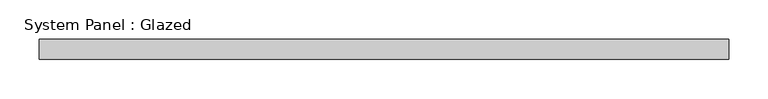
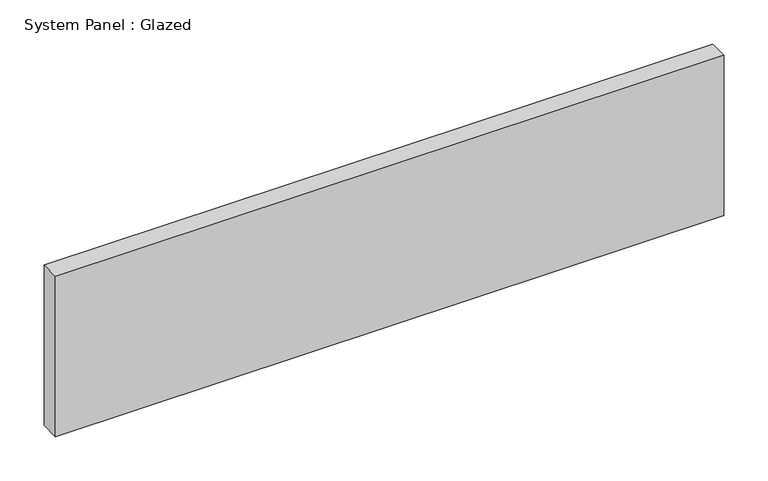
"""IFC4 building model written with IfcOpenShell, lengths in millimetres: plate geometry, System Panel : Glazed."""

from ifc_helpers import new_model, si_unit, origin, origin_with_axes, place, context, project, spatial, polyline, outline, extrude, source, transform, mapped, element, save


def system_panel_glazed_4a6d9500(model_context):
    return source(origin(), model_context, "Body", "SweptSolid", [
        extrude(outline(polyline([(438.15, 19.05), (-438.15, 19.05), (-438.15, 44.45), (438.15, 44.45), (438.15, 19.05)])), origin_with_axes(), (0.0, 0.0, 1.0), 222.25),
    ])


if __name__ == "__main__":
    model = new_model("IFC4")
    model_context = context("Model", 3, world=origin())
    ifc_project = project(units=[si_unit("LENGTHUNIT", "METRE", prefix="MILLI")], contexts=[model_context])
    site = spatial("IfcSite", under=ifc_project)
    building = spatial("IfcBuilding", under=site)
    placement = place(None, origin())
    system_panel_glazed_shape = system_panel_glazed_4a6d9500(model_context)
    element("IfcPlate", 1, ObjectType="System Panel : Glazed", at=placement, inside=building, context=model_context, shape_type="MappedRepresentation", body=[
        mapped(system_panel_glazed_shape, transform((0.0, 0.0, 0.0), x_axis=(1.0, 0.0, 0.0), y_axis=(0.0, 1.0, 0.0), z_axis=(0.0, 0.0, 1.0))),
    ])
    save(model, "model.ifc")
